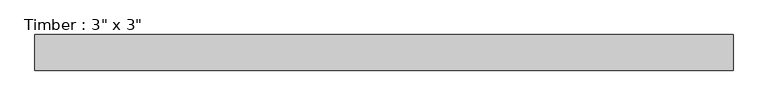
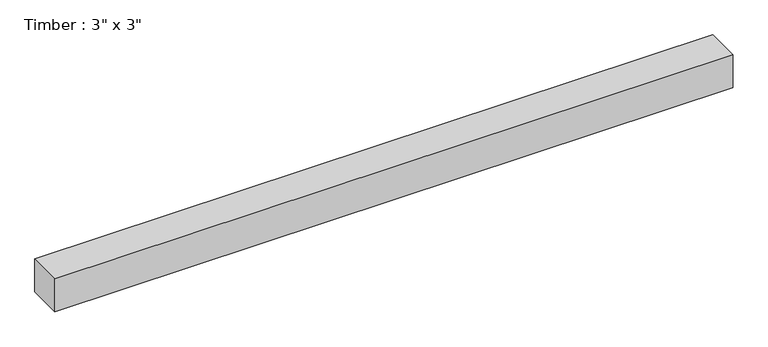
"""IFC4 building model written with IfcOpenShell, lengths in millimetres: beam geometry."""

from ifc_helpers import new_model, si_unit, frame, origin, place, context, project, spatial, polyline, outline, extrude, source, transform, mapped, element, save


def beam_9390370d(model_context):
    return source(origin(), model_context, "Body", "SweptSolid", [
        extrude(outline(polyline([(746.2496592, 38.1), (746.2496592, -38.1), (-746.2496592, -38.1), (-746.2496592, 38.1), (746.2496592, 38.1)])), frame((0.0, 0.0, -38.1), z_axis=(0.0, 0.0, 1.0), x_axis=(1.0, 0.0, 0.0)), (0.0, 0.0, 1.0), 76.2),
    ])


if __name__ == "__main__":
    model = new_model("IFC4")
    model_context = context("Model", 3, world=origin())
    ifc_project = project(units=[si_unit("LENGTHUNIT", "METRE", prefix="MILLI")], contexts=[model_context])
    site = spatial("IfcSite", under=ifc_project)
    building = spatial("IfcBuilding", under=site)
    placement = place(None, origin())
    beam_shape = beam_9390370d(model_context)
    element("IfcBeam", 1, ObjectType="Timber : 3\" x 3\"", at=placement, inside=building, context=model_context, shape_type="MappedRepresentation", body=[
        mapped(beam_shape, transform((0.0, 0.0, 0.0), x_axis=(1.0, 0.0, 0.0), y_axis=(0.0, 1.0, 0.0), z_axis=(0.0, 0.0, 1.0))),
    ])
    save(model, "model.ifc")
